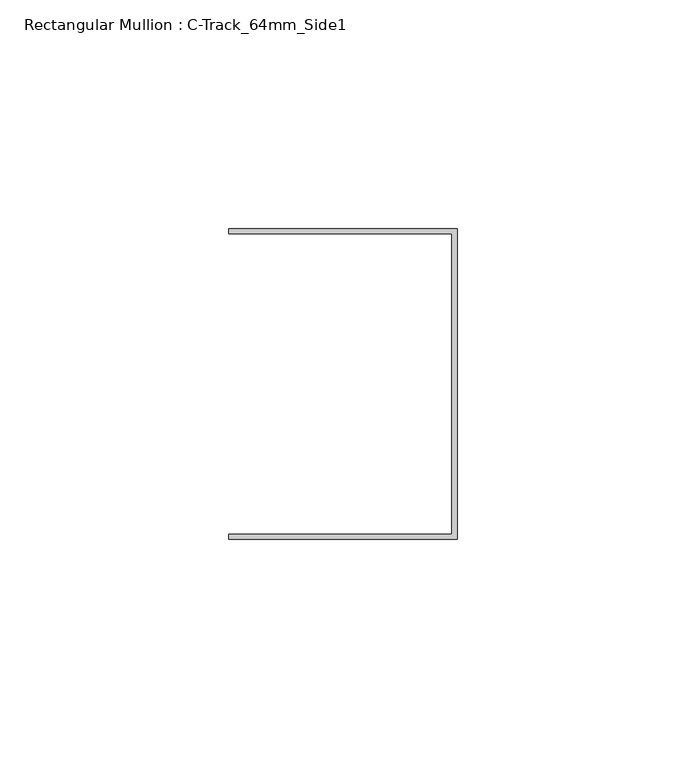
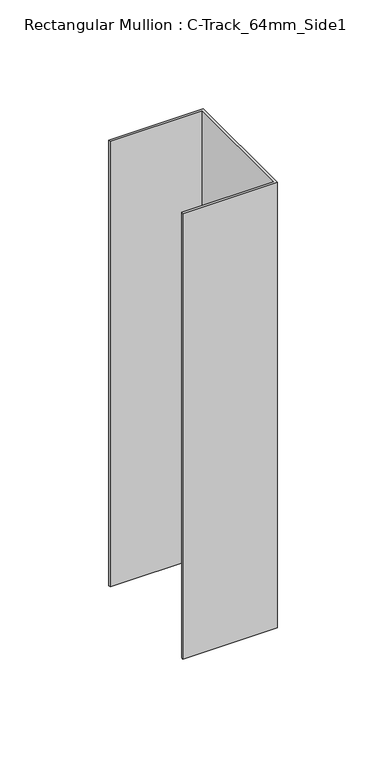
"""IFC4 building model written with IfcOpenShell, lengths in millimetres: member geometry, Rectangular Mullion : C-Track_64mm_Side1."""

from ifc_helpers import new_model, si_unit, frame, origin, place, context, project, spatial, polyline, outline, extrude, source, transform, mapped, element, save


def rectangular_mullion_c_track_64mm_side1_4b05f1d8(model_context):
    return source(origin(), model_context, "Body", "SweptSolid", [
        extrude(outline(polyline([(-1.15, 32.85), (-50.0, 32.85), (-50.0, 34.0), (0.0, 34.0), (0.0, -34.0), (-50.0, -34.0), (-50.0, -32.85), (-1.15, -32.85), (-1.15, 32.85)])), frame((0.0, 0.0, -250.0), z_axis=(0.0, 0.0, 1.0), x_axis=(1.0, 0.0, 0.0)), (0.0, 0.0, 1.0), 250.0),
    ])


if __name__ == "__main__":
    model = new_model("IFC4")
    model_context = context("Model", 3, world=origin())
    ifc_project = project(units=[si_unit("LENGTHUNIT", "METRE", prefix="MILLI")], contexts=[model_context])
    site = spatial("IfcSite", under=ifc_project)
    building = spatial("IfcBuilding", under=site)
    placement = place(None, origin())
    rectangular_mullion_c_track_64mm_side1_shape = rectangular_mullion_c_track_64mm_side1_4b05f1d8(model_context)
    element("IfcMember", 1, ObjectType="Rectangular Mullion : C-Track_64mm_Side1", at=placement, inside=building, context=model_context, shape_type="MappedRepresentation", body=[
        mapped(rectangular_mullion_c_track_64mm_side1_shape, transform((0.0, 0.0, 0.0), x_axis=(1.0, 0.0, 0.0), y_axis=(0.0, 1.0, 0.0), z_axis=(0.0, 0.0, 1.0))),
    ])
    save(model, "model.ifc")
